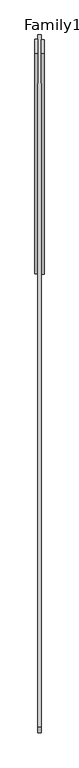
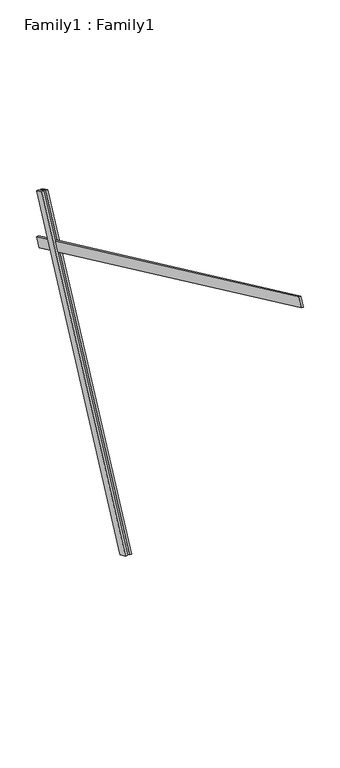
"""IFC4 building model written with IfcOpenShell, lengths in millimetres: proxy geometry, Family1 : Family1."""

from ifc_helpers import new_model, si_unit, frame, origin, place, context, project, spatial, polyline, outline, extrude, source, transform, mapped, element, save


def family1_family1_5c7ff5a0(model_context):
    return source(origin(), model_context, "Body", "SweptSolid", [
        extrude(outline(polyline([(0.0, 0.0), (0.0, -20.0), (-100.0000001, -20.0), (-100.0000001, 0.0), (0.0, 0.0)])), frame((-30.0, 46.3241747, -22.5938096), z_axis=(0.0, 0.4383711467890692, 0.8987940462991711), x_axis=(0.0, 0.8987940462991711, -0.4383711467890692)), (0.0, 0.0, 1.0), 3300.0),
        extrude(outline(polyline([(0.0, 0.0), (0.0, -20.0), (-99.9999999, -20.0), (-99.9999999, 0.0), (0.0, 0.0)])), frame((10.0, 45.270232, -22.0797674), z_axis=(0.0, 0.4383711467890692, 0.8987940462991711), x_axis=(0.0, 0.8987940462991711, -0.4383711467890692)), (0.0, 0.0, 1.0), 3300.0),
        extrude(outline(polyline([(0.0, -20.0), (0.0, 0.0), (4999.9999999, 0.0), (4999.9999999, -20.0), (0.0, -20.0)])), frame((-10.0, -3051.7635499, 4456.8794519), z_axis=(0.0, 0.42261826174070144, 0.9063077870366492), x_axis=(0.0, 0.9063077870366492, -0.42261826174070144)), (0.0, 0.0, 1.0), 100.0),
    ])


if __name__ == "__main__":
    model = new_model("IFC4")
    model_context = context("Model", 3, world=origin())
    ifc_project = project(units=[si_unit("LENGTHUNIT", "METRE", prefix="MILLI")], contexts=[model_context])
    site = spatial("IfcSite", under=ifc_project)
    building = spatial("IfcBuilding", under=site)
    placement = place(None, origin())
    family1_family1_shape = family1_family1_5c7ff5a0(model_context)
    element("IfcBuildingElementProxy", 1, Name="Family1 : Family1", ObjectType="Family1 : Family1", at=placement, inside=building, context=model_context, shape_type="MappedRepresentation", body=[
        mapped(family1_family1_shape, transform((0.0, 0.0, 0.0), x_axis=(1.0, 0.0, 0.0), y_axis=(0.0, 1.0, 0.0), z_axis=(0.0, 0.0, 1.0))),
    ])
    save(model, "model.ifc")
